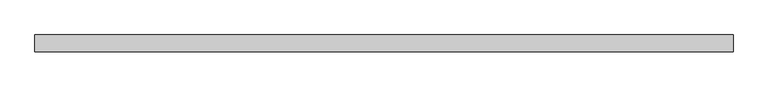
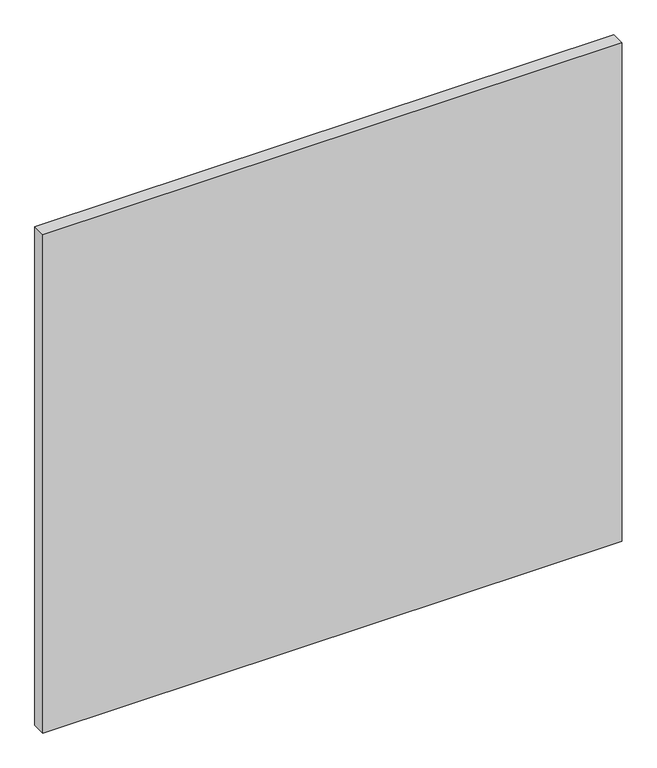
"""IFC4 building model written with IfcOpenShell, lengths in millimetres: plate geometry."""

from ifc_helpers import new_model, si_unit, origin, origin_with_axes, place, context, project, spatial, polyline, outline, extrude, source, transform, mapped, element, save


def plate_a82b815c(model_context):
    return source(origin(), model_context, "Body", "SweptSolid", [
        extrude(outline(polyline([(522.5, -12.5), (-522.5, -12.5), (-522.5, 12.5), (522.5, 12.5), (522.5, -12.5)])), origin_with_axes(), (0.0, 0.0, 1.0), 950.0),
    ])


if __name__ == "__main__":
    model = new_model("IFC4")
    model_context = context("Model", 3, world=origin())
    ifc_project = project(units=[si_unit("LENGTHUNIT", "METRE", prefix="MILLI")], contexts=[model_context])
    site = spatial("IfcSite", under=ifc_project)
    building = spatial("IfcBuilding", under=site)
    placement = place(None, origin())
    plate_shape = plate_a82b815c(model_context)
    element("IfcPlate", 1, at=placement, inside=building, context=model_context, shape_type="MappedRepresentation", body=[
        mapped(plate_shape, transform((0.0, 0.0, 0.0), x_axis=(1.0, 0.0, 0.0), y_axis=(0.0, 1.0, 0.0), z_axis=(0.0, 0.0, 1.0))),
    ])
    save(model, "model.ifc")
